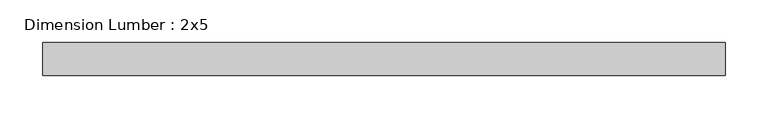
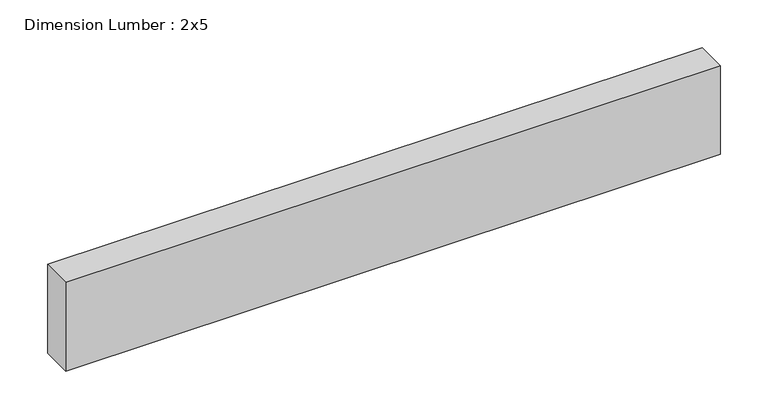
"""IFC4 building model written with IfcOpenShell, lengths in millimetres: beam geometry, Dimension Lumber : 2x5."""

from ifc_helpers import new_model, si_unit, frame, origin, place, context, project, spatial, polyline, outline, extrude, source, transform, mapped, element, save


def dimension_lumber_2x5_900b1a18(model_context):
    return source(origin(), model_context, "Body", "SweptSolid", [
        extrude(outline(polyline([(397.8452309, 19.05), (397.8452309, -19.05), (-397.8452309, -19.05), (-397.8452309, 19.05), (397.8452309, 19.05)])), frame((0.0, 0.0, -57.15), z_axis=(0.0, 0.0, 1.0), x_axis=(1.0, 0.0, 0.0)), (0.0, 0.0, 1.0), 114.3),
    ])


if __name__ == "__main__":
    model = new_model("IFC4")
    model_context = context("Model", 3, world=origin())
    ifc_project = project(units=[si_unit("LENGTHUNIT", "METRE", prefix="MILLI")], contexts=[model_context])
    site = spatial("IfcSite", under=ifc_project)
    building = spatial("IfcBuilding", under=site)
    placement = place(None, origin())
    dimension_lumber_2x5_shape = dimension_lumber_2x5_900b1a18(model_context)
    element("IfcBeam", 1, ObjectType="Dimension Lumber : 2x5", at=placement, inside=building, context=model_context, shape_type="MappedRepresentation", body=[
        mapped(dimension_lumber_2x5_shape, transform((0.0, 0.0, 0.0), x_axis=(1.0, 0.0, 0.0), y_axis=(0.0, 1.0, 0.0), z_axis=(0.0, 0.0, 1.0))),
    ])
    save(model, "model.ifc")
